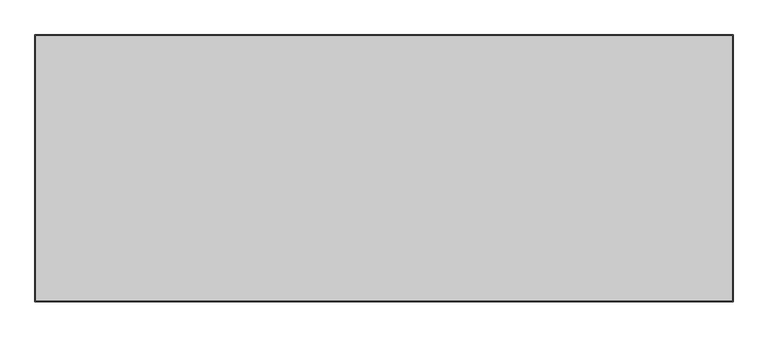
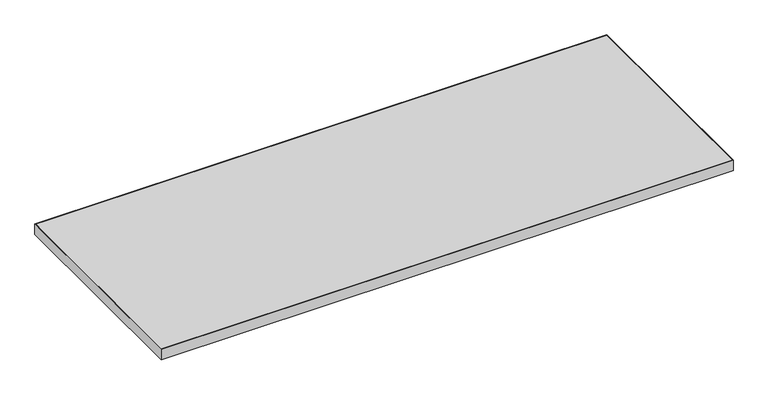
"""IFC4 building model written with IfcOpenShell, lengths in millimetres: furniture geometry."""

from ifc_helpers import new_model, si_unit, frame, origin, place, context, project, spatial, polyline, outline, extrude, source, transform, mapped, element, save


def furniture_c5e682ef(model_context):
    return source(origin(), model_context, "Body", "SweptSolid", [
        extrude(outline(polyline([(758.8758, 831.9008), (758.8758, 253.9492), (-758.8758, 253.9492), (-758.8758, 831.9008), (758.8758, 831.9008)])), frame((0.0, 0.0, 707.009), z_axis=(0.0, 0.0, 1.0), x_axis=(1.0, 0.0, 0.0)), (0.0, 0.0, 1.0), 29.591),
        extrude(outline(polyline([(760.4633, 252.3617), (-760.4633, 252.3617), (-760.4633, 833.4883), (760.4633, 833.4883), (760.4633, 252.3617)]), holes=[polyline([(758.8758, 831.9008), (-758.8758, 831.9008), (-758.8758, 253.9492), (758.8758, 253.9492), (758.8758, 831.9008)])]), frame((0.0, 0.0, 707.009), z_axis=(0.0, 0.0, 1.0), x_axis=(1.0, 0.0, 0.0)), (0.0, 0.0, 1.0), 29.591),
    ])


if __name__ == "__main__":
    model = new_model("IFC4")
    model_context = context("Model", 3, world=origin())
    ifc_project = project(units=[si_unit("LENGTHUNIT", "METRE", prefix="MILLI")], contexts=[model_context])
    site = spatial("IfcSite", under=ifc_project)
    building = spatial("IfcBuilding", under=site)
    placement = place(None, origin())
    furniture_shape = furniture_c5e682ef(model_context)
    element("IfcFurniture", 1, at=placement, inside=building, context=model_context, shape_type="MappedRepresentation", body=[
        mapped(furniture_shape, transform((0.0, 0.0, 0.0), x_axis=(1.0, 0.0, 0.0), y_axis=(0.0, 1.0, 0.0), z_axis=(0.0, 0.0, 1.0))),
    ])
    save(model, "model.ifc")
